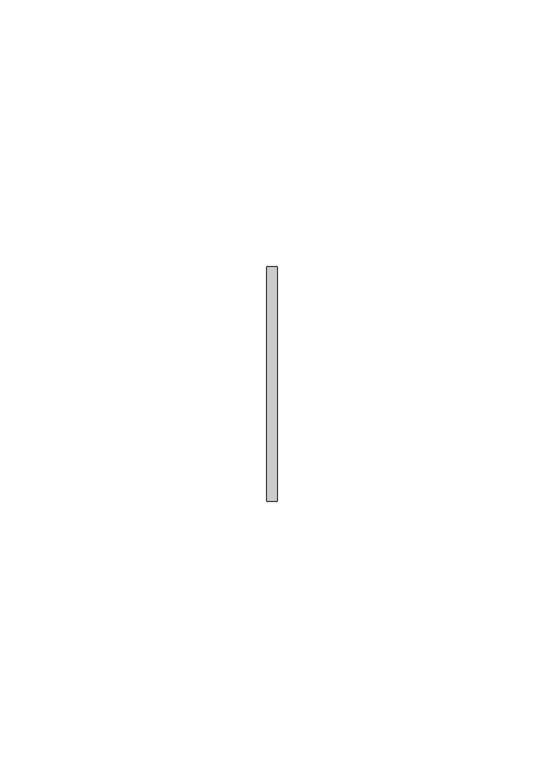
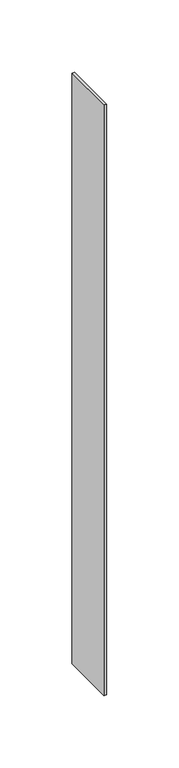
"""IFC4 building model written with IfcOpenShell, lengths in millimetres: member geometry."""

from ifc_helpers import new_model, si_unit, frame, origin, place, context, project, spatial, polyline, outline, extrude, source, transform, mapped, element, save


def member_3cd65c6d(model_context):
    return source(origin(), model_context, "Body", "SweptSolid", [
        extrude(outline(polyline([(1.0, 22.0), (1.0, -22.0), (-1.0, -22.0), (-1.0, 22.0), (1.0, 22.0)])), frame((0.0, 0.0, -497.9999998), z_axis=(0.0, 0.0, 1.0), x_axis=(1.0, 0.0, 0.0)), (0.0, 0.0, 1.0), 497.9999998),
    ])


if __name__ == "__main__":
    model = new_model("IFC4")
    model_context = context("Model", 3, world=origin())
    ifc_project = project(units=[si_unit("LENGTHUNIT", "METRE", prefix="MILLI")], contexts=[model_context])
    site = spatial("IfcSite", under=ifc_project)
    building = spatial("IfcBuilding", under=site)
    placement = place(None, origin())
    member_shape = member_3cd65c6d(model_context)
    element("IfcMember", 1, at=placement, inside=building, context=model_context, shape_type="MappedRepresentation", body=[
        mapped(member_shape, transform((0.0, 0.0, 0.0), x_axis=(1.0, 0.0, 0.0), y_axis=(0.0, 1.0, 0.0), z_axis=(0.0, 0.0, 1.0))),
    ])
    save(model, "model.ifc")
